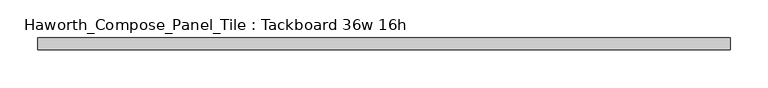
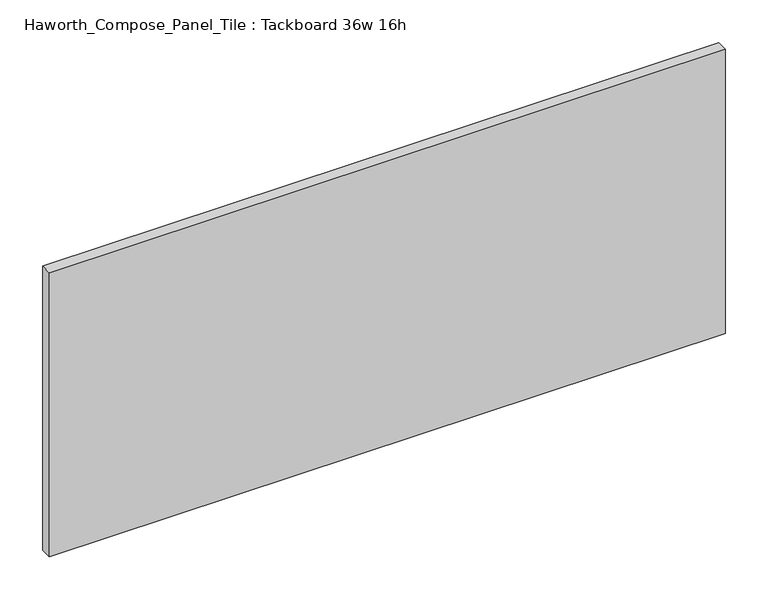
"""IFC4 building model written with IfcOpenShell, lengths in millimetres: furniture geometry, Haworth_Compose_Panel_Tile : Tackboard 36w 16h."""

from ifc_helpers import new_model, si_unit, frame, origin, place, context, project, spatial, polyline, outline, extrude, source, transform, mapped, element, save


def haworth_compose_panel_tile_tackboard_36w_16h_8b5c4a16(model_context):
    return source(origin(), model_context, "Body", "SweptSolid", [
        extrude(outline(polyline([(459.6402902, -28.8968594), (-454.7597098, -28.8968594), (-454.7597098, -13.0218594), (459.6402902, -13.0218594), (459.6402902, -28.8968594)])), frame((0.0, 0.0, 1066.8), z_axis=(0.0, 0.0, 1.0), x_axis=(1.0, 0.0, 0.0)), (0.0, 0.0, 1.0), 406.4),
    ])


if __name__ == "__main__":
    model = new_model("IFC4")
    model_context = context("Model", 3, world=origin())
    ifc_project = project(units=[si_unit("LENGTHUNIT", "METRE", prefix="MILLI")], contexts=[model_context])
    site = spatial("IfcSite", under=ifc_project)
    building = spatial("IfcBuilding", under=site)
    placement = place(None, origin())
    haworth_compose_panel_tile_tackboard_36w_16h_shape = haworth_compose_panel_tile_tackboard_36w_16h_8b5c4a16(model_context)
    element("IfcFurniture", 1, ObjectType="Haworth_Compose_Panel_Tile : Tackboard 36w 16h", at=placement, inside=building, context=model_context, shape_type="MappedRepresentation", body=[
        mapped(haworth_compose_panel_tile_tackboard_36w_16h_shape, transform((0.0, 0.0, 0.0), x_axis=(1.0, 0.0, 0.0), y_axis=(0.0, 1.0, 0.0), z_axis=(0.0, 0.0, 1.0))),
    ])
    save(model, "model.ifc")
